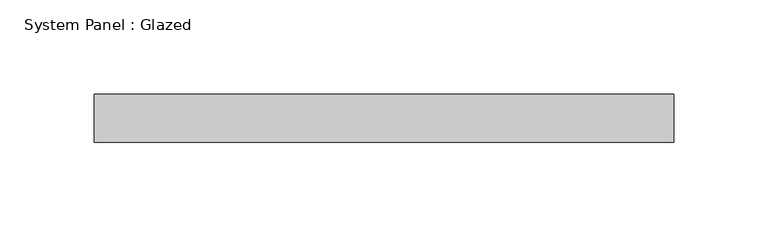
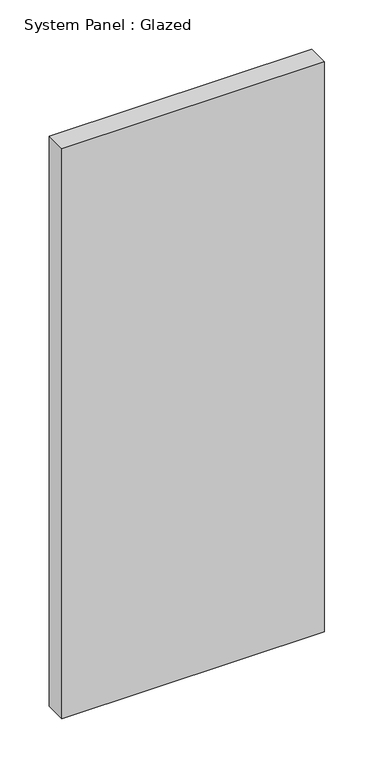
"""IFC4 building model written with IfcOpenShell, lengths in millimetres: plate geometry, System Panel : Glazed."""

from ifc_helpers import new_model, si_unit, origin, origin_with_axes, place, context, project, spatial, polyline, outline, extrude, source, transform, mapped, element, save


def system_panel_glazed_2fd1abea(model_context):
    return source(origin(), model_context, "Body", "SweptSolid", [
        extrude(outline(polyline([(153.4583333, -12.7), (-153.4583333, -12.7), (-153.4583333, 12.7), (153.4583333, 12.7), (153.4583333, -12.7)])), origin_with_axes(), (0.0, 0.0, 1.0), 704.85),
    ])


if __name__ == "__main__":
    model = new_model("IFC4")
    model_context = context("Model", 3, world=origin())
    ifc_project = project(units=[si_unit("LENGTHUNIT", "METRE", prefix="MILLI")], contexts=[model_context])
    site = spatial("IfcSite", under=ifc_project)
    building = spatial("IfcBuilding", under=site)
    placement = place(None, origin())
    system_panel_glazed_shape = system_panel_glazed_2fd1abea(model_context)
    element("IfcPlate", 1, ObjectType="System Panel : Glazed", at=placement, inside=building, context=model_context, shape_type="MappedRepresentation", body=[
        mapped(system_panel_glazed_shape, transform((0.0, 0.0, 0.0), x_axis=(1.0, 0.0, 0.0), y_axis=(0.0, 1.0, 0.0), z_axis=(0.0, 0.0, 1.0))),
    ])
    save(model, "model.ifc")
